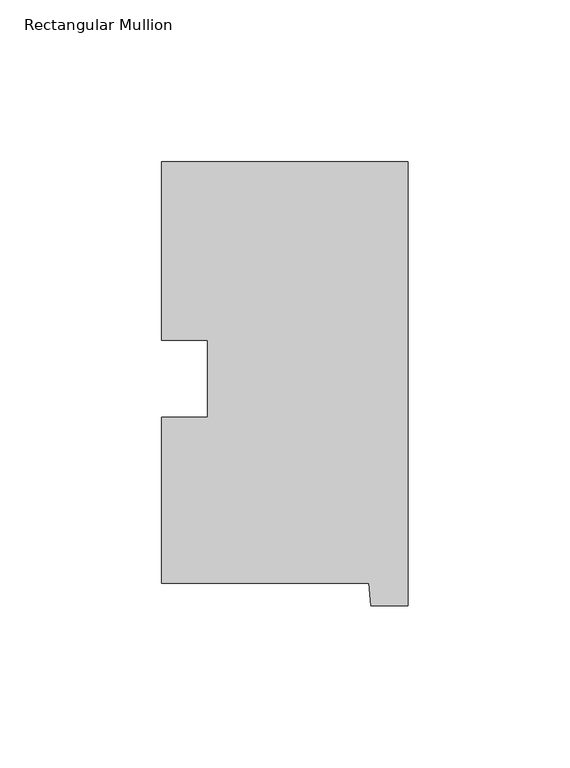
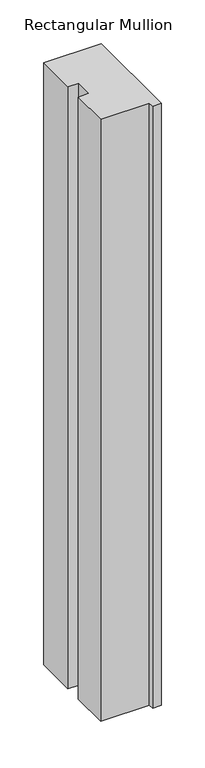
"""IFC4 building model written with IfcOpenShell, lengths in millimetres: member geometry, Rectangular Mullion."""

from ifc_helpers import new_model, si_unit, frame, origin, place, context, project, spatial, polyline, outline, extrude, source, transform, mapped, element, save


def rectangular_mullion_81e8c64f(model_context):
    return source(origin(), model_context, "Body", "SweptSolid", [
        extrude(outline(polyline([(-76.2, 130.56235), (0.0, 130.56235), (0.0, -6.64845), (-11.4023812, -6.64845), (-12.1549448, 0.26035), (-76.2, 0.26035), (-76.2, 51.60645), (-61.960125, 51.60645), (-61.960125, 75.40625), (-76.2, 75.40625), (-76.2, 130.56235)])), frame((0.0, 0.0, -841.375), z_axis=(0.0, 0.0, 1.0), x_axis=(1.0, 0.0, 0.0)), (0.0, 0.0, 1.0), 841.375),
    ])


if __name__ == "__main__":
    model = new_model("IFC4")
    model_context = context("Model", 3, world=origin())
    ifc_project = project(units=[si_unit("LENGTHUNIT", "METRE", prefix="MILLI")], contexts=[model_context])
    site = spatial("IfcSite", under=ifc_project)
    building = spatial("IfcBuilding", under=site)
    placement = place(None, origin())
    rectangular_mullion_shape = rectangular_mullion_81e8c64f(model_context)
    element("IfcMember", 1, ObjectType="Rectangular Mullion", at=placement, inside=building, context=model_context, shape_type="MappedRepresentation", body=[
        mapped(rectangular_mullion_shape, transform((0.0, 0.0, 0.0), x_axis=(1.0, 0.0, 0.0), y_axis=(0.0, 1.0, 0.0), z_axis=(0.0, 0.0, 1.0))),
    ])
    save(model, "model.ifc")
